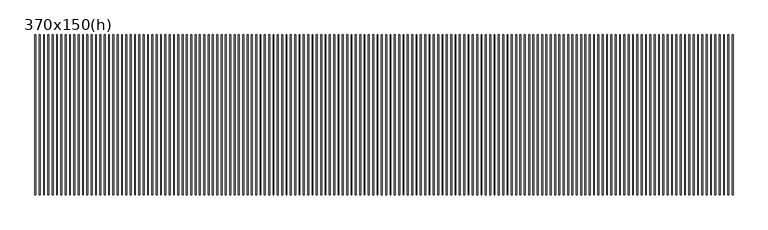
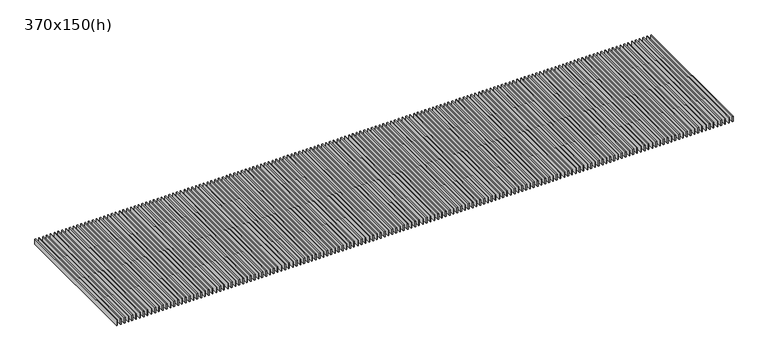
"""IFC4 building model written with IfcOpenShell, lengths in millimetres: proxy geometry, 370x150(h)."""

from ifc_helpers import new_model, si_unit, frame, origin, place, context, project, spatial, polyline, outline, extrude, source, transform, mapped, element, save


def proxy_370x150_h_3e2b05cd(model_context):
    return source(origin(), model_context, "Body", "SweptSolid", [
        extrude(outline(polyline([(1046.0, -185.0), (1044.0, -185.0), (1044.0, 185.0), (1046.0, 185.0), (1046.0, -185.0)])), frame((0.0, 0.0, -15.0), z_axis=(0.0, 0.0, 1.0), x_axis=(1.0, 0.0, 0.0)), (0.0, 0.0, 1.0), 15.0),
        extrude(outline(polyline([(1036.0, -185.0), (1034.0, -185.0), (1034.0, 185.0), (1036.0, 185.0), (1036.0, -185.0)])), frame((0.0, 0.0, -15.0), z_axis=(0.0, 0.0, 1.0), x_axis=(1.0, 0.0, 0.0)), (0.0, 0.0, 1.0), 15.0),
        extrude(outline(polyline([(1026.0, -185.0), (1024.0, -185.0), (1024.0, 185.0), (1026.0, 185.0), (1026.0, -185.0)])), frame((0.0, 0.0, -15.0), z_axis=(0.0, 0.0, 1.0), x_axis=(1.0, 0.0, 0.0)), (0.0, 0.0, 1.0), 15.0),
        extrude(outline(polyline([(1016.0, -185.0), (1014.0, -185.0), (1014.0, 185.0), (1016.0, 185.0), (1016.0, -185.0)])), frame((0.0, 0.0, -15.0), z_axis=(0.0, 0.0, 1.0), x_axis=(1.0, 0.0, 0.0)), (0.0, 0.0, 1.0), 15.0),
        extrude(outline(polyline([(1006.0, -185.0), (1004.0, -185.0), (1004.0, 185.0), (1006.0, 185.0), (1006.0, -185.0)])), frame((0.0, 0.0, -15.0), z_axis=(0.0, 0.0, 1.0), x_axis=(1.0, 0.0, 0.0)), (0.0, 0.0, 1.0), 15.0),
        extrude(outline(polyline([(996.0, -185.0), (994.0, -185.0), (994.0, 185.0), (996.0, 185.0), (996.0, -185.0)])), frame((0.0, 0.0, -15.0), z_axis=(0.0, 0.0, 1.0), x_axis=(1.0, 0.0, 0.0)), (0.0, 0.0, 1.0), 15.0),
        extrude(outline(polyline([(986.0, -185.0), (984.0, -185.0), (984.0, 185.0), (986.0, 185.0), (986.0, -185.0)])), frame((0.0, 0.0, -15.0), z_axis=(0.0, 0.0, 1.0), x_axis=(1.0, 0.0, 0.0)), (0.0, 0.0, 1.0), 15.0),
        extrude(outline(polyline([(976.0, -185.0), (974.0, -185.0), (974.0, 185.0), (976.0, 185.0), (976.0, -185.0)])), frame((0.0, 0.0, -15.0), z_axis=(0.0, 0.0, 1.0), x_axis=(1.0, 0.0, 0.0)), (0.0, 0.0, 1.0), 15.0),
        extrude(outline(polyline([(966.0, -185.0), (964.0, -185.0), (964.0, 185.0), (966.0, 185.0), (966.0, -185.0)])), frame((0.0, 0.0, -15.0), z_axis=(0.0, 0.0, 1.0), x_axis=(1.0, 0.0, 0.0)), (0.0, 0.0, 1.0), 15.0),
        extrude(outline(polyline([(956.0, -185.0), (954.0, -185.0), (954.0, 185.0), (956.0, 185.0), (956.0, -185.0)])), frame((0.0, 0.0, -15.0), z_axis=(0.0, 0.0, 1.0), x_axis=(1.0, 0.0, 0.0)), (0.0, 0.0, 1.0), 15.0),
        extrude(outline(polyline([(946.0, -185.0), (944.0, -185.0), (944.0, 185.0), (946.0, 185.0), (946.0, -185.0)])), frame((0.0, 0.0, -15.0), z_axis=(0.0, 0.0, 1.0), x_axis=(1.0, 0.0, 0.0)), (0.0, 0.0, 1.0), 15.0),
        extrude(outline(polyline([(936.0, -185.0), (934.0, -185.0), (934.0, 185.0), (936.0, 185.0), (936.0, -185.0)])), frame((0.0, 0.0, -15.0), z_axis=(0.0, 0.0, 1.0), x_axis=(1.0, 0.0, 0.0)), (0.0, 0.0, 1.0), 15.0),
        extrude(outline(polyline([(926.0, -185.0), (924.0, -185.0), (924.0, 185.0), (926.0, 185.0), (926.0, -185.0)])), frame((0.0, 0.0, -15.0), z_axis=(0.0, 0.0, 1.0), x_axis=(1.0, 0.0, 0.0)), (0.0, 0.0, 1.0), 15.0),
        extrude(outline(polyline([(916.0, -185.0), (914.0, -185.0), (914.0, 185.0), (916.0, 185.0), (916.0, -185.0)])), frame((0.0, 0.0, -15.0), z_axis=(0.0, 0.0, 1.0), x_axis=(1.0, 0.0, 0.0)), (0.0, 0.0, 1.0), 15.0),
        extrude(outline(polyline([(906.0, -185.0), (904.0, -185.0), (904.0, 185.0), (906.0, 185.0), (906.0, -185.0)])), frame((0.0, 0.0, -15.0), z_axis=(0.0, 0.0, 1.0), x_axis=(1.0, 0.0, 0.0)), (0.0, 0.0, 1.0), 15.0),
        extrude(outline(polyline([(896.0, -185.0), (894.0, -185.0), (894.0, 185.0), (896.0, 185.0), (896.0, -185.0)])), frame((0.0, 0.0, -15.0), z_axis=(0.0, 0.0, 1.0), x_axis=(1.0, 0.0, 0.0)), (0.0, 0.0, 1.0), 15.0),
        extrude(outline(polyline([(886.0, -185.0), (884.0, -185.0), (884.0, 185.0), (886.0, 185.0), (886.0, -185.0)])), frame((0.0, 0.0, -15.0), z_axis=(0.0, 0.0, 1.0), x_axis=(1.0, 0.0, 0.0)), (0.0, 0.0, 1.0), 15.0),
        extrude(outline(polyline([(876.0, -185.0), (874.0, -185.0), (874.0, 185.0), (876.0, 185.0), (876.0, -185.0)])), frame((0.0, 0.0, -15.0), z_axis=(0.0, 0.0, 1.0), x_axis=(1.0, 0.0, 0.0)), (0.0, 0.0, 1.0), 15.0),
        extrude(outline(polyline([(866.0, -185.0), (864.0, -185.0), (864.0, 185.0), (866.0, 185.0), (866.0, -185.0)])), frame((0.0, 0.0, -15.0), z_axis=(0.0, 0.0, 1.0), x_axis=(1.0, 0.0, 0.0)), (0.0, 0.0, 1.0), 15.0),
        extrude(outline(polyline([(856.0, -185.0), (854.0, -185.0), (854.0, 185.0), (856.0, 185.0), (856.0, -185.0)])), frame((0.0, 0.0, -15.0), z_axis=(0.0, 0.0, 1.0), x_axis=(1.0, 0.0, 0.0)), (0.0, 0.0, 1.0), 15.0),
        extrude(outline(polyline([(846.0, -185.0), (844.0, -185.0), (844.0, 185.0), (846.0, 185.0), (846.0, -185.0)])), frame((0.0, 0.0, -15.0), z_axis=(0.0, 0.0, 1.0), x_axis=(1.0, 0.0, 0.0)), (0.0, 0.0, 1.0), 15.0),
        extrude(outline(polyline([(836.0, -185.0), (834.0, -185.0), (834.0, 185.0), (836.0, 185.0), (836.0, -185.0)])), frame((0.0, 0.0, -15.0), z_axis=(0.0, 0.0, 1.0), x_axis=(1.0, 0.0, 0.0)), (0.0, 0.0, 1.0), 15.0),
        extrude(outline(polyline([(826.0, -185.0), (824.0, -185.0), (824.0, 185.0), (826.0, 185.0), (826.0, -185.0)])), frame((0.0, 0.0, -15.0), z_axis=(0.0, 0.0, 1.0), x_axis=(1.0, 0.0, 0.0)), (0.0, 0.0, 1.0), 15.0),
        extrude(outline(polyline([(816.0, -185.0), (814.0, -185.0), (814.0, 185.0), (816.0, 185.0), (816.0, -185.0)])), frame((0.0, 0.0, -15.0), z_axis=(0.0, 0.0, 1.0), x_axis=(1.0, 0.0, 0.0)), (0.0, 0.0, 1.0), 15.0),
        extrude(outline(polyline([(806.0, -185.0), (804.0, -185.0), (804.0, 185.0), (806.0, 185.0), (806.0, -185.0)])), frame((0.0, 0.0, -15.0), z_axis=(0.0, 0.0, 1.0), x_axis=(1.0, 0.0, 0.0)), (0.0, 0.0, 1.0), 15.0),
        extrude(outline(polyline([(796.0, -185.0), (794.0, -185.0), (794.0, 185.0), (796.0, 185.0), (796.0, -185.0)])), frame((0.0, 0.0, -15.0), z_axis=(0.0, 0.0, 1.0), x_axis=(1.0, 0.0, 0.0)), (0.0, 0.0, 1.0), 15.0),
        extrude(outline(polyline([(786.0, -185.0), (784.0, -185.0), (784.0, 185.0), (786.0, 185.0), (786.0, -185.0)])), frame((0.0, 0.0, -15.0), z_axis=(0.0, 0.0, 1.0), x_axis=(1.0, 0.0, 0.0)), (0.0, 0.0, 1.0), 15.0),
        extrude(outline(polyline([(776.0, -185.0), (774.0, -185.0), (774.0, 185.0), (776.0, 185.0), (776.0, -185.0)])), frame((0.0, 0.0, -15.0), z_axis=(0.0, 0.0, 1.0), x_axis=(1.0, 0.0, 0.0)), (0.0, 0.0, 1.0), 15.0),
        extrude(outline(polyline([(766.0, -185.0), (764.0, -185.0), (764.0, 185.0), (766.0, 185.0), (766.0, -185.0)])), frame((0.0, 0.0, -15.0), z_axis=(0.0, 0.0, 1.0), x_axis=(1.0, 0.0, 0.0)), (0.0, 0.0, 1.0), 15.0),
        extrude(outline(polyline([(756.0, -185.0), (754.0, -185.0), (754.0, 185.0), (756.0, 185.0), (756.0, -185.0)])), frame((0.0, 0.0, -15.0), z_axis=(0.0, 0.0, 1.0), x_axis=(1.0, 0.0, 0.0)), (0.0, 0.0, 1.0), 15.0),
        extrude(outline(polyline([(746.0, -185.0), (744.0, -185.0), (744.0, 185.0), (746.0, 185.0), (746.0, -185.0)])), frame((0.0, 0.0, -15.0), z_axis=(0.0, 0.0, 1.0), x_axis=(1.0, 0.0, 0.0)), (0.0, 0.0, 1.0), 15.0),
        extrude(outline(polyline([(736.0, -185.0), (734.0, -185.0), (734.0, 185.0), (736.0, 185.0), (736.0, -185.0)])), frame((0.0, 0.0, -15.0), z_axis=(0.0, 0.0, 1.0), x_axis=(1.0, 0.0, 0.0)), (0.0, 0.0, 1.0), 15.0),
        extrude(outline(polyline([(726.0, -185.0), (724.0, -185.0), (724.0, 185.0), (726.0, 185.0), (726.0, -185.0)])), frame((0.0, 0.0, -15.0), z_axis=(0.0, 0.0, 1.0), x_axis=(1.0, 0.0, 0.0)), (0.0, 0.0, 1.0), 15.0),
        extrude(outline(polyline([(716.0, -185.0), (714.0, -185.0), (714.0, 185.0), (716.0, 185.0), (716.0, -185.0)])), frame((0.0, 0.0, -15.0), z_axis=(0.0, 0.0, 1.0), x_axis=(1.0, 0.0, 0.0)), (0.0, 0.0, 1.0), 15.0),
        extrude(outline(polyline([(706.0, -185.0), (704.0, -185.0), (704.0, 185.0), (706.0, 185.0), (706.0, -185.0)])), frame((0.0, 0.0, -15.0), z_axis=(0.0, 0.0, 1.0), x_axis=(1.0, 0.0, 0.0)), (0.0, 0.0, 1.0), 15.0),
        extrude(outline(polyline([(696.0, -185.0), (694.0, -185.0), (694.0, 185.0), (696.0, 185.0), (696.0, -185.0)])), frame((0.0, 0.0, -15.0), z_axis=(0.0, 0.0, 1.0), x_axis=(1.0, 0.0, 0.0)), (0.0, 0.0, 1.0), 15.0),
        extrude(outline(polyline([(686.0, -185.0), (684.0, -185.0), (684.0, 185.0), (686.0, 185.0), (686.0, -185.0)])), frame((0.0, 0.0, -15.0), z_axis=(0.0, 0.0, 1.0), x_axis=(1.0, 0.0, 0.0)), (0.0, 0.0, 1.0), 15.0),
        extrude(outline(polyline([(676.0, -185.0), (674.0, -185.0), (674.0, 185.0), (676.0, 185.0), (676.0, -185.0)])), frame((0.0, 0.0, -15.0), z_axis=(0.0, 0.0, 1.0), x_axis=(1.0, 0.0, 0.0)), (0.0, 0.0, 1.0), 15.0),
        extrude(outline(polyline([(666.0, -185.0), (664.0, -185.0), (664.0, 185.0), (666.0, 185.0), (666.0, -185.0)])), frame((0.0, 0.0, -15.0), z_axis=(0.0, 0.0, 1.0), x_axis=(1.0, 0.0, 0.0)), (0.0, 0.0, 1.0), 15.0),
        extrude(outline(polyline([(656.0, -185.0), (654.0, -185.0), (654.0, 185.0), (656.0, 185.0), (656.0, -185.0)])), frame((0.0, 0.0, -15.0), z_axis=(0.0, 0.0, 1.0), x_axis=(1.0, 0.0, 0.0)), (0.0, 0.0, 1.0), 15.0),
        extrude(outline(polyline([(646.0, -185.0), (644.0, -185.0), (644.0, 185.0), (646.0, 185.0), (646.0, -185.0)])), frame((0.0, 0.0, -15.0), z_axis=(0.0, 0.0, 1.0), x_axis=(1.0, 0.0, 0.0)), (0.0, 0.0, 1.0), 15.0),
        extrude(outline(polyline([(636.0, -185.0), (634.0, -185.0), (634.0, 185.0), (636.0, 185.0), (636.0, -185.0)])), frame((0.0, 0.0, -15.0), z_axis=(0.0, 0.0, 1.0), x_axis=(1.0, 0.0, 0.0)), (0.0, 0.0, 1.0), 15.0),
        extrude(outline(polyline([(626.0, -185.0), (624.0, -185.0), (624.0, 185.0), (626.0, 185.0), (626.0, -185.0)])), frame((0.0, 0.0, -15.0), z_axis=(0.0, 0.0, 1.0), x_axis=(1.0, 0.0, 0.0)), (0.0, 0.0, 1.0), 15.0),
        extrude(outline(polyline([(616.0, -185.0), (614.0, -185.0), (614.0, 185.0), (616.0, 185.0), (616.0, -185.0)])), frame((0.0, 0.0, -15.0), z_axis=(0.0, 0.0, 1.0), x_axis=(1.0, 0.0, 0.0)), (0.0, 0.0, 1.0), 15.0),
        extrude(outline(polyline([(606.0, -185.0), (604.0, -185.0), (604.0, 185.0), (606.0, 185.0), (606.0, -185.0)])), frame((0.0, 0.0, -15.0), z_axis=(0.0, 0.0, 1.0), x_axis=(1.0, 0.0, 0.0)), (0.0, 0.0, 1.0), 15.0),
        extrude(outline(polyline([(596.0, -185.0), (594.0, -185.0), (594.0, 185.0), (596.0, 185.0), (596.0, -185.0)])), frame((0.0, 0.0, -15.0), z_axis=(0.0, 0.0, 1.0), x_axis=(1.0, 0.0, 0.0)), (0.0, 0.0, 1.0), 15.0),
        extrude(outline(polyline([(586.0, -185.0), (584.0, -185.0), (584.0, 185.0), (586.0, 185.0), (586.0, -185.0)])), frame((0.0, 0.0, -15.0), z_axis=(0.0, 0.0, 1.0), x_axis=(1.0, 0.0, 0.0)), (0.0, 0.0, 1.0), 15.0),
        extrude(outline(polyline([(576.0, -185.0), (574.0, -185.0), (574.0, 185.0), (576.0, 185.0), (576.0, -185.0)])), frame((0.0, 0.0, -15.0), z_axis=(0.0, 0.0, 1.0), x_axis=(1.0, 0.0, 0.0)), (0.0, 0.0, 1.0), 15.0),
        extrude(outline(polyline([(566.0, -185.0), (564.0, -185.0), (564.0, 185.0), (566.0, 185.0), (566.0, -185.0)])), frame((0.0, 0.0, -15.0), z_axis=(0.0, 0.0, 1.0), x_axis=(1.0, 0.0, 0.0)), (0.0, 0.0, 1.0), 15.0),
        extrude(outline(polyline([(556.0, -185.0), (554.0, -185.0), (554.0, 185.0), (556.0, 185.0), (556.0, -185.0)])), frame((0.0, 0.0, -15.0), z_axis=(0.0, 0.0, 1.0), x_axis=(1.0, 0.0, 0.0)), (0.0, 0.0, 1.0), 15.0),
        extrude(outline(polyline([(546.0, -185.0), (544.0, -185.0), (544.0, 185.0), (546.0, 185.0), (546.0, -185.0)])), frame((0.0, 0.0, -15.0), z_axis=(0.0, 0.0, 1.0), x_axis=(1.0, 0.0, 0.0)), (0.0, 0.0, 1.0), 15.0),
        extrude(outline(polyline([(536.0, -185.0), (534.0, -185.0), (534.0, 185.0), (536.0, 185.0), (536.0, -185.0)])), frame((0.0, 0.0, -15.0), z_axis=(0.0, 0.0, 1.0), x_axis=(1.0, 0.0, 0.0)), (0.0, 0.0, 1.0), 15.0),
        extrude(outline(polyline([(526.0, -185.0), (524.0, -185.0), (524.0, 185.0), (526.0, 185.0), (526.0, -185.0)])), frame((0.0, 0.0, -15.0), z_axis=(0.0, 0.0, 1.0), x_axis=(1.0, 0.0, 0.0)), (0.0, 0.0, 1.0), 15.0),
        extrude(outline(polyline([(516.0, -185.0), (514.0, -185.0), (514.0, 185.0), (516.0, 185.0), (516.0, -185.0)])), frame((0.0, 0.0, -15.0), z_axis=(0.0, 0.0, 1.0), x_axis=(1.0, 0.0, 0.0)), (0.0, 0.0, 1.0), 15.0),
        extrude(outline(polyline([(506.0, -185.0), (504.0, -185.0), (504.0, 185.0), (506.0, 185.0), (506.0, -185.0)])), frame((0.0, 0.0, -15.0), z_axis=(0.0, 0.0, 1.0), x_axis=(1.0, 0.0, 0.0)), (0.0, 0.0, 1.0), 15.0),
        extrude(outline(polyline([(496.0, -185.0), (494.0, -185.0), (494.0, 185.0), (496.0, 185.0), (496.0, -185.0)])), frame((0.0, 0.0, -15.0), z_axis=(0.0, 0.0, 1.0), x_axis=(1.0, 0.0, 0.0)), (0.0, 0.0, 1.0), 15.0),
        extrude(outline(polyline([(486.0, -185.0), (484.0, -185.0), (484.0, 185.0), (486.0, 185.0), (486.0, -185.0)])), frame((0.0, 0.0, -15.0), z_axis=(0.0, 0.0, 1.0), x_axis=(1.0, 0.0, 0.0)), (0.0, 0.0, 1.0), 15.0),
        extrude(outline(polyline([(476.0, -185.0), (474.0, -185.0), (474.0, 185.0), (476.0, 185.0), (476.0, -185.0)])), frame((0.0, 0.0, -15.0), z_axis=(0.0, 0.0, 1.0), x_axis=(1.0, 0.0, 0.0)), (0.0, 0.0, 1.0), 15.0),
        extrude(outline(polyline([(466.0, -185.0), (464.0, -185.0), (464.0, 185.0), (466.0, 185.0), (466.0, -185.0)])), frame((0.0, 0.0, -15.0), z_axis=(0.0, 0.0, 1.0), x_axis=(1.0, 0.0, 0.0)), (0.0, 0.0, 1.0), 15.0),
        extrude(outline(polyline([(456.0, -185.0), (454.0, -185.0), (454.0, 185.0), (456.0, 185.0), (456.0, -185.0)])), frame((0.0, 0.0, -15.0), z_axis=(0.0, 0.0, 1.0), x_axis=(1.0, 0.0, 0.0)), (0.0, 0.0, 1.0), 15.0),
        extrude(outline(polyline([(446.0, -185.0), (444.0, -185.0), (444.0, 185.0), (446.0, 185.0), (446.0, -185.0)])), frame((0.0, 0.0, -15.0), z_axis=(0.0, 0.0, 1.0), x_axis=(1.0, 0.0, 0.0)), (0.0, 0.0, 1.0), 15.0),
        extrude(outline(polyline([(436.0, -185.0), (434.0, -185.0), (434.0, 185.0), (436.0, 185.0), (436.0, -185.0)])), frame((0.0, 0.0, -15.0), z_axis=(0.0, 0.0, 1.0), x_axis=(1.0, 0.0, 0.0)), (0.0, 0.0, 1.0), 15.0),
        extrude(outline(polyline([(426.0, -185.0), (424.0, -185.0), (424.0, 185.0), (426.0, 185.0), (426.0, -185.0)])), frame((0.0, 0.0, -15.0), z_axis=(0.0, 0.0, 1.0), x_axis=(1.0, 0.0, 0.0)), (0.0, 0.0, 1.0), 15.0),
        extrude(outline(polyline([(416.0, -185.0), (414.0, -185.0), (414.0, 185.0), (416.0, 185.0), (416.0, -185.0)])), frame((0.0, 0.0, -15.0), z_axis=(0.0, 0.0, 1.0), x_axis=(1.0, 0.0, 0.0)), (0.0, 0.0, 1.0), 15.0),
        extrude(outline(polyline([(406.0, -185.0), (404.0, -185.0), (404.0, 185.0), (406.0, 185.0), (406.0, -185.0)])), frame((0.0, 0.0, -15.0), z_axis=(0.0, 0.0, 1.0), x_axis=(1.0, 0.0, 0.0)), (0.0, 0.0, 1.0), 15.0),
        extrude(outline(polyline([(396.0, -185.0), (394.0, -185.0), (394.0, 185.0), (396.0, 185.0), (396.0, -185.0)])), frame((0.0, 0.0, -15.0), z_axis=(0.0, 0.0, 1.0), x_axis=(1.0, 0.0, 0.0)), (0.0, 0.0, 1.0), 15.0),
        extrude(outline(polyline([(386.0, -185.0), (384.0, -185.0), (384.0, 185.0), (386.0, 185.0), (386.0, -185.0)])), frame((0.0, 0.0, -15.0), z_axis=(0.0, 0.0, 1.0), x_axis=(1.0, 0.0, 0.0)), (0.0, 0.0, 1.0), 15.0),
        extrude(outline(polyline([(376.0, -185.0), (374.0, -185.0), (374.0, 185.0), (376.0, 185.0), (376.0, -185.0)])), frame((0.0, 0.0, -15.0), z_axis=(0.0, 0.0, 1.0), x_axis=(1.0, 0.0, 0.0)), (0.0, 0.0, 1.0), 15.0),
        extrude(outline(polyline([(366.0, -185.0), (364.0, -185.0), (364.0, 185.0), (366.0, 185.0), (366.0, -185.0)])), frame((0.0, 0.0, -15.0), z_axis=(0.0, 0.0, 1.0), x_axis=(1.0, 0.0, 0.0)), (0.0, 0.0, 1.0), 15.0),
        extrude(outline(polyline([(356.0, -185.0), (354.0, -185.0), (354.0, 185.0), (356.0, 185.0), (356.0, -185.0)])), frame((0.0, 0.0, -15.0), z_axis=(0.0, 0.0, 1.0), x_axis=(1.0, 0.0, 0.0)), (0.0, 0.0, 1.0), 15.0),
        extrude(outline(polyline([(346.0, -185.0), (344.0, -185.0), (344.0, 185.0), (346.0, 185.0), (346.0, -185.0)])), frame((0.0, 0.0, -15.0), z_axis=(0.0, 0.0, 1.0), x_axis=(1.0, 0.0, 0.0)), (0.0, 0.0, 1.0), 15.0),
        extrude(outline(polyline([(336.0, -185.0), (334.0, -185.0), (334.0, 185.0), (336.0, 185.0), (336.0, -185.0)])), frame((0.0, 0.0, -15.0), z_axis=(0.0, 0.0, 1.0), x_axis=(1.0, 0.0, 0.0)), (0.0, 0.0, 1.0), 15.0),
        extrude(outline(polyline([(326.0, -185.0), (324.0, -185.0), (324.0, 185.0), (326.0, 185.0), (326.0, -185.0)])), frame((0.0, 0.0, -15.0), z_axis=(0.0, 0.0, 1.0), x_axis=(1.0, 0.0, 0.0)), (0.0, 0.0, 1.0), 15.0),
        extrude(outline(polyline([(316.0, -185.0), (314.0, -185.0), (314.0, 185.0), (316.0, 185.0), (316.0, -185.0)])), frame((0.0, 0.0, -15.0), z_axis=(0.0, 0.0, 1.0), x_axis=(1.0, 0.0, 0.0)), (0.0, 0.0, 1.0), 15.0),
        extrude(outline(polyline([(306.0, -185.0), (304.0, -185.0), (304.0, 185.0), (306.0, 185.0), (306.0, -185.0)])), frame((0.0, 0.0, -15.0), z_axis=(0.0, 0.0, 1.0), x_axis=(1.0, 0.0, 0.0)), (0.0, 0.0, 1.0), 15.0),
        extrude(outline(polyline([(296.0, -185.0), (294.0, -185.0), (294.0, 185.0), (296.0, 185.0), (296.0, -185.0)])), frame((0.0, 0.0, -15.0), z_axis=(0.0, 0.0, 1.0), x_axis=(1.0, 0.0, 0.0)), (0.0, 0.0, 1.0), 15.0),
        extrude(outline(polyline([(286.0, -185.0), (284.0, -185.0), (284.0, 185.0), (286.0, 185.0), (286.0, -185.0)])), frame((0.0, 0.0, -15.0), z_axis=(0.0, 0.0, 1.0), x_axis=(1.0, 0.0, 0.0)), (0.0, 0.0, 1.0), 15.0),
        extrude(outline(polyline([(276.0, -185.0), (274.0, -185.0), (274.0, 185.0), (276.0, 185.0), (276.0, -185.0)])), frame((0.0, 0.0, -15.0), z_axis=(0.0, 0.0, 1.0), x_axis=(1.0, 0.0, 0.0)), (0.0, 0.0, 1.0), 15.0),
        extrude(outline(polyline([(266.0, -185.0), (264.0, -185.0), (264.0, 185.0), (266.0, 185.0), (266.0, -185.0)])), frame((0.0, 0.0, -15.0), z_axis=(0.0, 0.0, 1.0), x_axis=(1.0, 0.0, 0.0)), (0.0, 0.0, 1.0), 15.0),
        extrude(outline(polyline([(256.0, -185.0), (254.0, -185.0), (254.0, 185.0), (256.0, 185.0), (256.0, -185.0)])), frame((0.0, 0.0, -15.0), z_axis=(0.0, 0.0, 1.0), x_axis=(1.0, 0.0, 0.0)), (0.0, 0.0, 1.0), 15.0),
        extrude(outline(polyline([(246.0, -185.0), (244.0, -185.0), (244.0, 185.0), (246.0, 185.0), (246.0, -185.0)])), frame((0.0, 0.0, -15.0), z_axis=(0.0, 0.0, 1.0), x_axis=(1.0, 0.0, 0.0)), (0.0, 0.0, 1.0), 15.0),
        extrude(outline(polyline([(236.0, -185.0), (234.0, -185.0), (234.0, 185.0), (236.0, 185.0), (236.0, -185.0)])), frame((0.0, 0.0, -15.0), z_axis=(0.0, 0.0, 1.0), x_axis=(1.0, 0.0, 0.0)), (0.0, 0.0, 1.0), 15.0),
        extrude(outline(polyline([(226.0, -185.0), (224.0, -185.0), (224.0, 185.0), (226.0, 185.0), (226.0, -185.0)])), frame((0.0, 0.0, -15.0), z_axis=(0.0, 0.0, 1.0), x_axis=(1.0, 0.0, 0.0)), (0.0, 0.0, 1.0), 15.0),
        extrude(outline(polyline([(216.0, -185.0), (214.0, -185.0), (214.0, 185.0), (216.0, 185.0), (216.0, -185.0)])), frame((0.0, 0.0, -15.0), z_axis=(0.0, 0.0, 1.0), x_axis=(1.0, 0.0, 0.0)), (0.0, 0.0, 1.0), 15.0),
        extrude(outline(polyline([(206.0, -185.0), (204.0, -185.0), (204.0, 185.0), (206.0, 185.0), (206.0, -185.0)])), frame((0.0, 0.0, -15.0), z_axis=(0.0, 0.0, 1.0), x_axis=(1.0, 0.0, 0.0)), (0.0, 0.0, 1.0), 15.0),
        extrude(outline(polyline([(196.0, -185.0), (194.0, -185.0), (194.0, 185.0), (196.0, 185.0), (196.0, -185.0)])), frame((0.0, 0.0, -15.0), z_axis=(0.0, 0.0, 1.0), x_axis=(1.0, 0.0, 0.0)), (0.0, 0.0, 1.0), 15.0),
        extrude(outline(polyline([(186.0, -185.0), (184.0, -185.0), (184.0, 185.0), (186.0, 185.0), (186.0, -185.0)])), frame((0.0, 0.0, -15.0), z_axis=(0.0, 0.0, 1.0), x_axis=(1.0, 0.0, 0.0)), (0.0, 0.0, 1.0), 15.0),
        extrude(outline(polyline([(176.0, -185.0), (174.0, -185.0), (174.0, 185.0), (176.0, 185.0), (176.0, -185.0)])), frame((0.0, 0.0, -15.0), z_axis=(0.0, 0.0, 1.0), x_axis=(1.0, 0.0, 0.0)), (0.0, 0.0, 1.0), 15.0),
        extrude(outline(polyline([(166.0, -185.0), (164.0, -185.0), (164.0, 185.0), (166.0, 185.0), (166.0, -185.0)])), frame((0.0, 0.0, -15.0), z_axis=(0.0, 0.0, 1.0), x_axis=(1.0, 0.0, 0.0)), (0.0, 0.0, 1.0), 15.0),
        extrude(outline(polyline([(156.0, -185.0), (154.0, -185.0), (154.0, 185.0), (156.0, 185.0), (156.0, -185.0)])), frame((0.0, 0.0, -15.0), z_axis=(0.0, 0.0, 1.0), x_axis=(1.0, 0.0, 0.0)), (0.0, 0.0, 1.0), 15.0),
        extrude(outline(polyline([(146.0, -185.0), (144.0, -185.0), (144.0, 185.0), (146.0, 185.0), (146.0, -185.0)])), frame((0.0, 0.0, -15.0), z_axis=(0.0, 0.0, 1.0), x_axis=(1.0, 0.0, 0.0)), (0.0, 0.0, 1.0), 15.0),
        extrude(outline(polyline([(136.0, -185.0), (134.0, -185.0), (134.0, 185.0), (136.0, 185.0), (136.0, -185.0)])), frame((0.0, 0.0, -15.0), z_axis=(0.0, 0.0, 1.0), x_axis=(1.0, 0.0, 0.0)), (0.0, 0.0, 1.0), 15.0),
        extrude(outline(polyline([(126.0, -185.0), (124.0, -185.0), (124.0, 185.0), (126.0, 185.0), (126.0, -185.0)])), frame((0.0, 0.0, -15.0), z_axis=(0.0, 0.0, 1.0), x_axis=(1.0, 0.0, 0.0)), (0.0, 0.0, 1.0), 15.0),
        extrude(outline(polyline([(116.0, -185.0), (114.0, -185.0), (114.0, 185.0), (116.0, 185.0), (116.0, -185.0)])), frame((0.0, 0.0, -15.0), z_axis=(0.0, 0.0, 1.0), x_axis=(1.0, 0.0, 0.0)), (0.0, 0.0, 1.0), 15.0),
        extrude(outline(polyline([(106.0, -185.0), (104.0, -185.0), (104.0, 185.0), (106.0, 185.0), (106.0, -185.0)])), frame((0.0, 0.0, -15.0), z_axis=(0.0, 0.0, 1.0), x_axis=(1.0, 0.0, 0.0)), (0.0, 0.0, 1.0), 15.0),
        extrude(outline(polyline([(96.0, -185.0), (94.0, -185.0), (94.0, 185.0), (96.0, 185.0), (96.0, -185.0)])), frame((0.0, 0.0, -15.0), z_axis=(0.0, 0.0, 1.0), x_axis=(1.0, 0.0, 0.0)), (0.0, 0.0, 1.0), 15.0),
        extrude(outline(polyline([(86.0, -185.0), (84.0, -185.0), (84.0, 185.0), (86.0, 185.0), (86.0, -185.0)])), frame((0.0, 0.0, -15.0), z_axis=(0.0, 0.0, 1.0), x_axis=(1.0, 0.0, 0.0)), (0.0, 0.0, 1.0), 15.0),
        extrude(outline(polyline([(76.0, -185.0), (74.0, -185.0), (74.0, 185.0), (76.0, 185.0), (76.0, -185.0)])), frame((0.0, 0.0, -15.0), z_axis=(0.0, 0.0, 1.0), x_axis=(1.0, 0.0, 0.0)), (0.0, 0.0, 1.0), 15.0),
        extrude(outline(polyline([(66.0, -185.0), (64.0, -185.0), (64.0, 185.0), (66.0, 185.0), (66.0, -185.0)])), frame((0.0, 0.0, -15.0), z_axis=(0.0, 0.0, 1.0), x_axis=(1.0, 0.0, 0.0)), (0.0, 0.0, 1.0), 15.0),
        extrude(outline(polyline([(56.0, -185.0), (54.0, -185.0), (54.0, 185.0), (56.0, 185.0), (56.0, -185.0)])), frame((0.0, 0.0, -15.0), z_axis=(0.0, 0.0, 1.0), x_axis=(1.0, 0.0, 0.0)), (0.0, 0.0, 1.0), 15.0),
        extrude(outline(polyline([(46.0, -185.0), (44.0, -185.0), (44.0, 185.0), (46.0, 185.0), (46.0, -185.0)])), frame((0.0, 0.0, -15.0), z_axis=(0.0, 0.0, 1.0), x_axis=(1.0, 0.0, 0.0)), (0.0, 0.0, 1.0), 15.0),
        extrude(outline(polyline([(36.0, -185.0), (34.0, -185.0), (34.0, 185.0), (36.0, 185.0), (36.0, -185.0)])), frame((0.0, 0.0, -15.0), z_axis=(0.0, 0.0, 1.0), x_axis=(1.0, 0.0, 0.0)), (0.0, 0.0, 1.0), 15.0),
        extrude(outline(polyline([(26.0, -185.0), (24.0, -185.0), (24.0, 185.0), (26.0, 185.0), (26.0, -185.0)])), frame((0.0, 0.0, -15.0), z_axis=(0.0, 0.0, 1.0), x_axis=(1.0, 0.0, 0.0)), (0.0, 0.0, 1.0), 15.0),
        extrude(outline(polyline([(16.0, -185.0), (14.0, -185.0), (14.0, 185.0), (16.0, 185.0), (16.0, -185.0)])), frame((0.0, 0.0, -15.0), z_axis=(0.0, 0.0, 1.0), x_axis=(1.0, 0.0, 0.0)), (0.0, 0.0, 1.0), 15.0),
        extrude(outline(polyline([(6.0, -185.0), (4.0, -185.0), (4.0, 185.0), (6.0, 185.0), (6.0, -185.0)])), frame((0.0, 0.0, -15.0), z_axis=(0.0, 0.0, 1.0), x_axis=(1.0, 0.0, 0.0)), (0.0, 0.0, 1.0), 15.0),
        extrude(outline(polyline([(-4.0, -185.0), (-6.0, -185.0), (-6.0, 185.0), (-4.0, 185.0), (-4.0, -185.0)])), frame((0.0, 0.0, -15.0), z_axis=(0.0, 0.0, 1.0), x_axis=(1.0, 0.0, 0.0)), (0.0, 0.0, 1.0), 15.0),
        extrude(outline(polyline([(-14.0, -185.0), (-16.0, -185.0), (-16.0, 185.0), (-14.0, 185.0), (-14.0, -185.0)])), frame((0.0, 0.0, -15.0), z_axis=(0.0, 0.0, 1.0), x_axis=(1.0, 0.0, 0.0)), (0.0, 0.0, 1.0), 15.0),
        extrude(outline(polyline([(-24.0, -185.0), (-26.0, -185.0), (-26.0, 185.0), (-24.0, 185.0), (-24.0, -185.0)])), frame((0.0, 0.0, -15.0), z_axis=(0.0, 0.0, 1.0), x_axis=(1.0, 0.0, 0.0)), (0.0, 0.0, 1.0), 15.0),
        extrude(outline(polyline([(-34.0, -185.0), (-36.0, -185.0), (-36.0, 185.0), (-34.0, 185.0), (-34.0, -185.0)])), frame((0.0, 0.0, -15.0), z_axis=(0.0, 0.0, 1.0), x_axis=(1.0, 0.0, 0.0)), (0.0, 0.0, 1.0), 15.0),
        extrude(outline(polyline([(-44.0, -185.0), (-46.0, -185.0), (-46.0, 185.0), (-44.0, 185.0), (-44.0, -185.0)])), frame((0.0, 0.0, -15.0), z_axis=(0.0, 0.0, 1.0), x_axis=(1.0, 0.0, 0.0)), (0.0, 0.0, 1.0), 15.0),
        extrude(outline(polyline([(-54.0, -185.0), (-56.0, -185.0), (-56.0, 185.0), (-54.0, 185.0), (-54.0, -185.0)])), frame((0.0, 0.0, -15.0), z_axis=(0.0, 0.0, 1.0), x_axis=(1.0, 0.0, 0.0)), (0.0, 0.0, 1.0), 15.0),
        extrude(outline(polyline([(-64.0, -185.0), (-66.0, -185.0), (-66.0, 185.0), (-64.0, 185.0), (-64.0, -185.0)])), frame((0.0, 0.0, -15.0), z_axis=(0.0, 0.0, 1.0), x_axis=(1.0, 0.0, 0.0)), (0.0, 0.0, 1.0), 15.0),
        extrude(outline(polyline([(-74.0, -185.0), (-76.0, -185.0), (-76.0, 185.0), (-74.0, 185.0), (-74.0, -185.0)])), frame((0.0, 0.0, -15.0), z_axis=(0.0, 0.0, 1.0), x_axis=(1.0, 0.0, 0.0)), (0.0, 0.0, 1.0), 15.0),
        extrude(outline(polyline([(-84.0, -185.0), (-86.0, -185.0), (-86.0, 185.0), (-84.0, 185.0), (-84.0, -185.0)])), frame((0.0, 0.0, -15.0), z_axis=(0.0, 0.0, 1.0), x_axis=(1.0, 0.0, 0.0)), (0.0, 0.0, 1.0), 15.0),
        extrude(outline(polyline([(-94.0, -185.0), (-96.0, -185.0), (-96.0, 185.0), (-94.0, 185.0), (-94.0, -185.0)])), frame((0.0, 0.0, -15.0), z_axis=(0.0, 0.0, 1.0), x_axis=(1.0, 0.0, 0.0)), (0.0, 0.0, 1.0), 15.0),
        extrude(outline(polyline([(-104.0, -185.0), (-106.0, -185.0), (-106.0, 185.0), (-104.0, 185.0), (-104.0, -185.0)])), frame((0.0, 0.0, -15.0), z_axis=(0.0, 0.0, 1.0), x_axis=(1.0, 0.0, 0.0)), (0.0, 0.0, 1.0), 15.0),
        extrude(outline(polyline([(-114.0, -185.0), (-116.0, -185.0), (-116.0, 185.0), (-114.0, 185.0), (-114.0, -185.0)])), frame((0.0, 0.0, -15.0), z_axis=(0.0, 0.0, 1.0), x_axis=(1.0, 0.0, 0.0)), (0.0, 0.0, 1.0), 15.0),
        extrude(outline(polyline([(-124.0, -185.0), (-126.0, -185.0), (-126.0, 185.0), (-124.0, 185.0), (-124.0, -185.0)])), frame((0.0, 0.0, -15.0), z_axis=(0.0, 0.0, 1.0), x_axis=(1.0, 0.0, 0.0)), (0.0, 0.0, 1.0), 15.0),
        extrude(outline(polyline([(-134.0, -185.0), (-136.0, -185.0), (-136.0, 185.0), (-134.0, 185.0), (-134.0, -185.0)])), frame((0.0, 0.0, -15.0), z_axis=(0.0, 0.0, 1.0), x_axis=(1.0, 0.0, 0.0)), (0.0, 0.0, 1.0), 15.0),
        extrude(outline(polyline([(-144.0, -185.0), (-146.0, -185.0), (-146.0, 185.0), (-144.0, 185.0), (-144.0, -185.0)])), frame((0.0, 0.0, -15.0), z_axis=(0.0, 0.0, 1.0), x_axis=(1.0, 0.0, 0.0)), (0.0, 0.0, 1.0), 15.0),
        extrude(outline(polyline([(-154.0, -185.0), (-156.0, -185.0), (-156.0, 185.0), (-154.0, 185.0), (-154.0, -185.0)])), frame((0.0, 0.0, -15.0), z_axis=(0.0, 0.0, 1.0), x_axis=(1.0, 0.0, 0.0)), (0.0, 0.0, 1.0), 15.0),
        extrude(outline(polyline([(-164.0, -185.0), (-166.0, -185.0), (-166.0, 185.0), (-164.0, 185.0), (-164.0, -185.0)])), frame((0.0, 0.0, -15.0), z_axis=(0.0, 0.0, 1.0), x_axis=(1.0, 0.0, 0.0)), (0.0, 0.0, 1.0), 15.0),
        extrude(outline(polyline([(-174.0, -185.0), (-176.0, -185.0), (-176.0, 185.0), (-174.0, 185.0), (-174.0, -185.0)])), frame((0.0, 0.0, -15.0), z_axis=(0.0, 0.0, 1.0), x_axis=(1.0, 0.0, 0.0)), (0.0, 0.0, 1.0), 15.0),
        extrude(outline(polyline([(-184.0, -185.0), (-186.0, -185.0), (-186.0, 185.0), (-184.0, 185.0), (-184.0, -185.0)])), frame((0.0, 0.0, -15.0), z_axis=(0.0, 0.0, 1.0), x_axis=(1.0, 0.0, 0.0)), (0.0, 0.0, 1.0), 15.0),
        extrude(outline(polyline([(-194.0, -185.0), (-196.0, -185.0), (-196.0, 185.0), (-194.0, 185.0), (-194.0, -185.0)])), frame((0.0, 0.0, -15.0), z_axis=(0.0, 0.0, 1.0), x_axis=(1.0, 0.0, 0.0)), (0.0, 0.0, 1.0), 15.0),
        extrude(outline(polyline([(-204.0, -185.0), (-206.0, -185.0), (-206.0, 185.0), (-204.0, 185.0), (-204.0, -185.0)])), frame((0.0, 0.0, -15.0), z_axis=(0.0, 0.0, 1.0), x_axis=(1.0, 0.0, 0.0)), (0.0, 0.0, 1.0), 15.0),
        extrude(outline(polyline([(-214.0, -185.0), (-216.0, -185.0), (-216.0, 185.0), (-214.0, 185.0), (-214.0, -185.0)])), frame((0.0, 0.0, -15.0), z_axis=(0.0, 0.0, 1.0), x_axis=(1.0, 0.0, 0.0)), (0.0, 0.0, 1.0), 15.0),
        extrude(outline(polyline([(-224.0, -185.0), (-226.0, -185.0), (-226.0, 185.0), (-224.0, 185.0), (-224.0, -185.0)])), frame((0.0, 0.0, -15.0), z_axis=(0.0, 0.0, 1.0), x_axis=(1.0, 0.0, 0.0)), (0.0, 0.0, 1.0), 15.0),
        extrude(outline(polyline([(-234.0, -185.0), (-236.0, -185.0), (-236.0, 185.0), (-234.0, 185.0), (-234.0, -185.0)])), frame((0.0, 0.0, -15.0), z_axis=(0.0, 0.0, 1.0), x_axis=(1.0, 0.0, 0.0)), (0.0, 0.0, 1.0), 15.0),
        extrude(outline(polyline([(-244.0, -185.0), (-246.0, -185.0), (-246.0, 185.0), (-244.0, 185.0), (-244.0, -185.0)])), frame((0.0, 0.0, -15.0), z_axis=(0.0, 0.0, 1.0), x_axis=(1.0, 0.0, 0.0)), (0.0, 0.0, 1.0), 15.0),
        extrude(outline(polyline([(-254.0, -185.0), (-256.0, -185.0), (-256.0, 185.0), (-254.0, 185.0), (-254.0, -185.0)])), frame((0.0, 0.0, -15.0), z_axis=(0.0, 0.0, 1.0), x_axis=(1.0, 0.0, 0.0)), (0.0, 0.0, 1.0), 15.0),
        extrude(outline(polyline([(-264.0, -185.0), (-266.0, -185.0), (-266.0, 185.0), (-264.0, 185.0), (-264.0, -185.0)])), frame((0.0, 0.0, -15.0), z_axis=(0.0, 0.0, 1.0), x_axis=(1.0, 0.0, 0.0)), (0.0, 0.0, 1.0), 15.0),
        extrude(outline(polyline([(-274.0, -185.0), (-276.0, -185.0), (-276.0, 185.0), (-274.0, 185.0), (-274.0, -185.0)])), frame((0.0, 0.0, -15.0), z_axis=(0.0, 0.0, 1.0), x_axis=(1.0, 0.0, 0.0)), (0.0, 0.0, 1.0), 15.0),
        extrude(outline(polyline([(-284.0, -185.0), (-286.0, -185.0), (-286.0, 185.0), (-284.0, 185.0), (-284.0, -185.0)])), frame((0.0, 0.0, -15.0), z_axis=(0.0, 0.0, 1.0), x_axis=(1.0, 0.0, 0.0)), (0.0, 0.0, 1.0), 15.0),
        extrude(outline(polyline([(-294.0, -185.0), (-296.0, -185.0), (-296.0, 185.0), (-294.0, 185.0), (-294.0, -185.0)])), frame((0.0, 0.0, -15.0), z_axis=(0.0, 0.0, 1.0), x_axis=(1.0, 0.0, 0.0)), (0.0, 0.0, 1.0), 15.0),
        extrude(outline(polyline([(-304.0, -185.0), (-306.0, -185.0), (-306.0, 185.0), (-304.0, 185.0), (-304.0, -185.0)])), frame((0.0, 0.0, -15.0), z_axis=(0.0, 0.0, 1.0), x_axis=(1.0, 0.0, 0.0)), (0.0, 0.0, 1.0), 15.0),
        extrude(outline(polyline([(-314.0, -185.0), (-316.0, -185.0), (-316.0, 185.0), (-314.0, 185.0), (-314.0, -185.0)])), frame((0.0, 0.0, -15.0), z_axis=(0.0, 0.0, 1.0), x_axis=(1.0, 0.0, 0.0)), (0.0, 0.0, 1.0), 15.0),
        extrude(outline(polyline([(-324.0, -185.0), (-326.0, -185.0), (-326.0, 185.0), (-324.0, 185.0), (-324.0, -185.0)])), frame((0.0, 0.0, -15.0), z_axis=(0.0, 0.0, 1.0), x_axis=(1.0, 0.0, 0.0)), (0.0, 0.0, 1.0), 15.0),
        extrude(outline(polyline([(-334.0, -185.0), (-336.0, -185.0), (-336.0, 185.0), (-334.0, 185.0), (-334.0, -185.0)])), frame((0.0, 0.0, -15.0), z_axis=(0.0, 0.0, 1.0), x_axis=(1.0, 0.0, 0.0)), (0.0, 0.0, 1.0), 15.0),
        extrude(outline(polyline([(-344.0, -185.0), (-346.0, -185.0), (-346.0, 185.0), (-344.0, 185.0), (-344.0, -185.0)])), frame((0.0, 0.0, -15.0), z_axis=(0.0, 0.0, 1.0), x_axis=(1.0, 0.0, 0.0)), (0.0, 0.0, 1.0), 15.0),
        extrude(outline(polyline([(-354.0, -185.0), (-356.0, -185.0), (-356.0, 185.0), (-354.0, 185.0), (-354.0, -185.0)])), frame((0.0, 0.0, -15.0), z_axis=(0.0, 0.0, 1.0), x_axis=(1.0, 0.0, 0.0)), (0.0, 0.0, 1.0), 15.0),
        extrude(outline(polyline([(-364.0, -185.0), (-366.0, -185.0), (-366.0, 185.0), (-364.0, 185.0), (-364.0, -185.0)])), frame((0.0, 0.0, -15.0), z_axis=(0.0, 0.0, 1.0), x_axis=(1.0, 0.0, 0.0)), (0.0, 0.0, 1.0), 15.0),
        extrude(outline(polyline([(-374.0, -185.0), (-376.0, -185.0), (-376.0, 185.0), (-374.0, 185.0), (-374.0, -185.0)])), frame((0.0, 0.0, -15.0), z_axis=(0.0, 0.0, 1.0), x_axis=(1.0, 0.0, 0.0)), (0.0, 0.0, 1.0), 15.0),
        extrude(outline(polyline([(-384.0, -185.0), (-386.0, -185.0), (-386.0, 185.0), (-384.0, 185.0), (-384.0, -185.0)])), frame((0.0, 0.0, -15.0), z_axis=(0.0, 0.0, 1.0), x_axis=(1.0, 0.0, 0.0)), (0.0, 0.0, 1.0), 15.0),
        extrude(outline(polyline([(-394.0, -185.0), (-396.0, -185.0), (-396.0, 185.0), (-394.0, 185.0), (-394.0, -185.0)])), frame((0.0, 0.0, -15.0), z_axis=(0.0, 0.0, 1.0), x_axis=(1.0, 0.0, 0.0)), (0.0, 0.0, 1.0), 15.0),
        extrude(outline(polyline([(-404.0, -185.0), (-406.0, -185.0), (-406.0, 185.0), (-404.0, 185.0), (-404.0, -185.0)])), frame((0.0, 0.0, -15.0), z_axis=(0.0, 0.0, 1.0), x_axis=(1.0, 0.0, 0.0)), (0.0, 0.0, 1.0), 15.0),
        extrude(outline(polyline([(-414.0, -185.0), (-416.0, -185.0), (-416.0, 185.0), (-414.0, 185.0), (-414.0, -185.0)])), frame((0.0, 0.0, -15.0), z_axis=(0.0, 0.0, 1.0), x_axis=(1.0, 0.0, 0.0)), (0.0, 0.0, 1.0), 15.0),
        extrude(outline(polyline([(-424.0, -185.0), (-426.0, -185.0), (-426.0, 185.0), (-424.0, 185.0), (-424.0, -185.0)])), frame((0.0, 0.0, -15.0), z_axis=(0.0, 0.0, 1.0), x_axis=(1.0, 0.0, 0.0)), (0.0, 0.0, 1.0), 15.0),
        extrude(outline(polyline([(-434.0, -185.0), (-436.0, -185.0), (-436.0, 185.0), (-434.0, 185.0), (-434.0, -185.0)])), frame((0.0, 0.0, -15.0), z_axis=(0.0, 0.0, 1.0), x_axis=(1.0, 0.0, 0.0)), (0.0, 0.0, 1.0), 15.0),
        extrude(outline(polyline([(-444.0, -185.0), (-446.0, -185.0), (-446.0, 185.0), (-444.0, 185.0), (-444.0, -185.0)])), frame((0.0, 0.0, -15.0), z_axis=(0.0, 0.0, 1.0), x_axis=(1.0, 0.0, 0.0)), (0.0, 0.0, 1.0), 15.0),
        extrude(outline(polyline([(-454.0, -185.0), (-456.0, -185.0), (-456.0, 185.0), (-454.0, 185.0), (-454.0, -185.0)])), frame((0.0, 0.0, -15.0), z_axis=(0.0, 0.0, 1.0), x_axis=(1.0, 0.0, 0.0)), (0.0, 0.0, 1.0), 15.0),
        extrude(outline(polyline([(-464.0, -185.0), (-466.0, -185.0), (-466.0, 185.0), (-464.0, 185.0), (-464.0, -185.0)])), frame((0.0, 0.0, -15.0), z_axis=(0.0, 0.0, 1.0), x_axis=(1.0, 0.0, 0.0)), (0.0, 0.0, 1.0), 15.0),
        extrude(outline(polyline([(-474.0, -185.0), (-476.0, -185.0), (-476.0, 185.0), (-474.0, 185.0), (-474.0, -185.0)])), frame((0.0, 0.0, -15.0), z_axis=(0.0, 0.0, 1.0), x_axis=(1.0, 0.0, 0.0)), (0.0, 0.0, 1.0), 15.0),
        extrude(outline(polyline([(-484.0, -185.0), (-486.0, -185.0), (-486.0, 185.0), (-484.0, 185.0), (-484.0, -185.0)])), frame((0.0, 0.0, -15.0), z_axis=(0.0, 0.0, 1.0), x_axis=(1.0, 0.0, 0.0)), (0.0, 0.0, 1.0), 15.0),
        extrude(outline(polyline([(-494.0, -185.0), (-496.0, -185.0), (-496.0, 185.0), (-494.0, 185.0), (-494.0, -185.0)])), frame((0.0, 0.0, -15.0), z_axis=(0.0, 0.0, 1.0), x_axis=(1.0, 0.0, 0.0)), (0.0, 0.0, 1.0), 15.0),
        extrude(outline(polyline([(-504.0, -185.0), (-506.0, -185.0), (-506.0, 185.0), (-504.0, 185.0), (-504.0, -185.0)])), frame((0.0, 0.0, -15.0), z_axis=(0.0, 0.0, 1.0), x_axis=(1.0, 0.0, 0.0)), (0.0, 0.0, 1.0), 15.0),
        extrude(outline(polyline([(-514.0, -185.0), (-516.0, -185.0), (-516.0, 185.0), (-514.0, 185.0), (-514.0, -185.0)])), frame((0.0, 0.0, -15.0), z_axis=(0.0, 0.0, 1.0), x_axis=(1.0, 0.0, 0.0)), (0.0, 0.0, 1.0), 15.0),
        extrude(outline(polyline([(-524.0, -185.0), (-526.0, -185.0), (-526.0, 185.0), (-524.0, 185.0), (-524.0, -185.0)])), frame((0.0, 0.0, -15.0), z_axis=(0.0, 0.0, 1.0), x_axis=(1.0, 0.0, 0.0)), (0.0, 0.0, 1.0), 15.0),
        extrude(outline(polyline([(-534.0, -185.0), (-536.0, -185.0), (-536.0, 185.0), (-534.0, 185.0), (-534.0, -185.0)])), frame((0.0, 0.0, -15.0), z_axis=(0.0, 0.0, 1.0), x_axis=(1.0, 0.0, 0.0)), (0.0, 0.0, 1.0), 15.0),
        extrude(outline(polyline([(-544.0, -185.0), (-546.0, -185.0), (-546.0, 185.0), (-544.0, 185.0), (-544.0, -185.0)])), frame((0.0, 0.0, -15.0), z_axis=(0.0, 0.0, 1.0), x_axis=(1.0, 0.0, 0.0)), (0.0, 0.0, 1.0), 15.0),
        extrude(outline(polyline([(-554.0, -185.0), (-556.0, -185.0), (-556.0, 185.0), (-554.0, 185.0), (-554.0, -185.0)])), frame((0.0, 0.0, -15.0), z_axis=(0.0, 0.0, 1.0), x_axis=(1.0, 0.0, 0.0)), (0.0, 0.0, 1.0), 15.0),
        extrude(outline(polyline([(-564.0, -185.0), (-566.0, -185.0), (-566.0, 185.0), (-564.0, 185.0), (-564.0, -185.0)])), frame((0.0, 0.0, -15.0), z_axis=(0.0, 0.0, 1.0), x_axis=(1.0, 0.0, 0.0)), (0.0, 0.0, 1.0), 15.0),
    ])


if __name__ == "__main__":
    model = new_model("IFC4")
    model_context = context("Model", 3, world=origin())
    ifc_project = project(units=[si_unit("LENGTHUNIT", "METRE", prefix="MILLI")], contexts=[model_context])
    site = spatial("IfcSite", under=ifc_project)
    building = spatial("IfcBuilding", under=site)
    placement = place(None, origin())
    proxy_370x150_h_shape = proxy_370x150_h_3e2b05cd(model_context)
    element("IfcBuildingElementProxy", 1, Name="370x150(h)", ObjectType="370x150(h)", at=placement, inside=building, context=model_context, shape_type="MappedRepresentation", body=[
        mapped(proxy_370x150_h_shape, transform((0.0, 0.0, 0.0), x_axis=(1.0, 0.0, 0.0), y_axis=(0.0, 1.0, 0.0), z_axis=(0.0, 0.0, 1.0))),
    ])
    save(model, "model.ifc")
